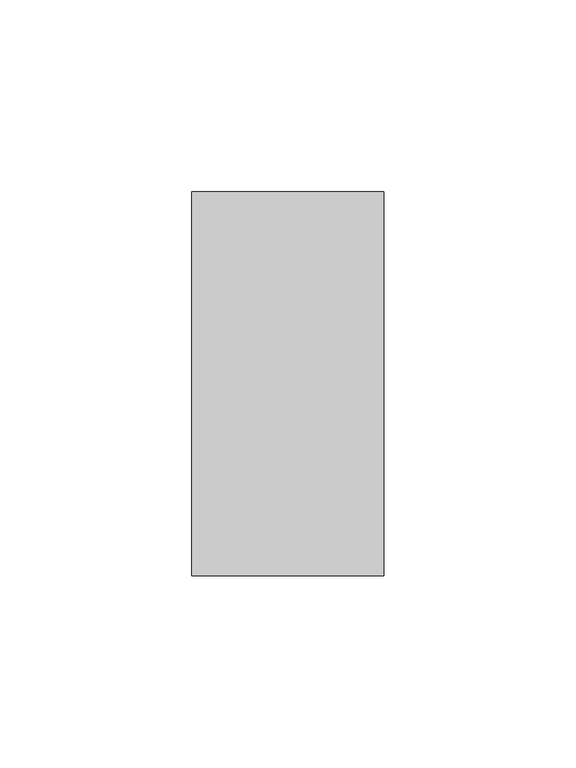
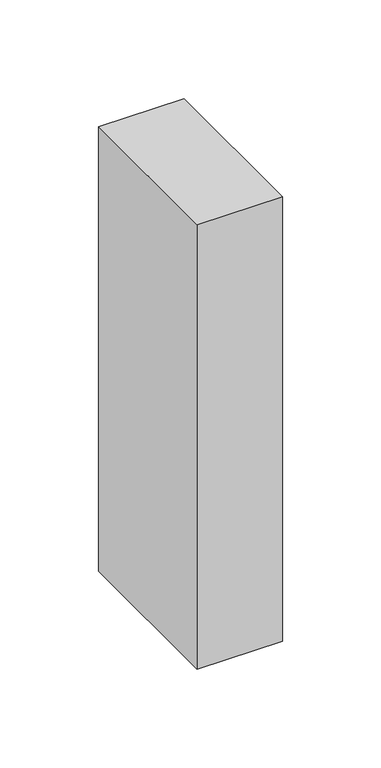
"""IFC4 building model written with IfcOpenShell, lengths in millimetres: member geometry."""

from ifc_helpers import new_model, si_unit, frame, origin, place, context, project, spatial, polyline, outline, extrude, source, transform, mapped, element, save


def member_9534cbd6(model_context):
    return source(origin(), model_context, "Body", "SweptSolid", [
        extrude(outline(polyline([(25.0, 50.0), (25.0, -50.0), (-25.0, -50.0), (-25.0, 50.0), (25.0, 50.0)])), frame((0.0, 0.0, -274.9746456), z_axis=(0.0, 0.0, 1.0), x_axis=(1.0, 0.0, 0.0)), (0.0, 0.0, 1.0), 274.9746456),
    ])


if __name__ == "__main__":
    model = new_model("IFC4")
    model_context = context("Model", 3, world=origin())
    ifc_project = project(units=[si_unit("LENGTHUNIT", "METRE", prefix="MILLI")], contexts=[model_context])
    site = spatial("IfcSite", under=ifc_project)
    building = spatial("IfcBuilding", under=site)
    placement = place(None, origin())
    member_shape = member_9534cbd6(model_context)
    element("IfcMember", 1, at=placement, inside=building, context=model_context, shape_type="MappedRepresentation", body=[
        mapped(member_shape, transform((0.0, 0.0, 0.0), x_axis=(1.0, 0.0, 0.0), y_axis=(0.0, 1.0, 0.0), z_axis=(0.0, 0.0, 1.0))),
    ])
    save(model, "model.ifc")
